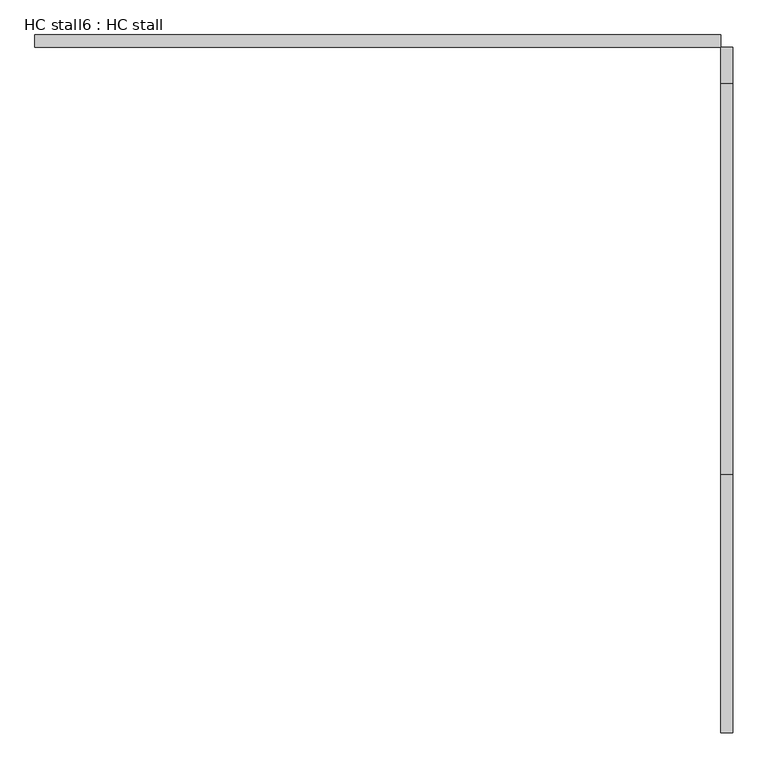
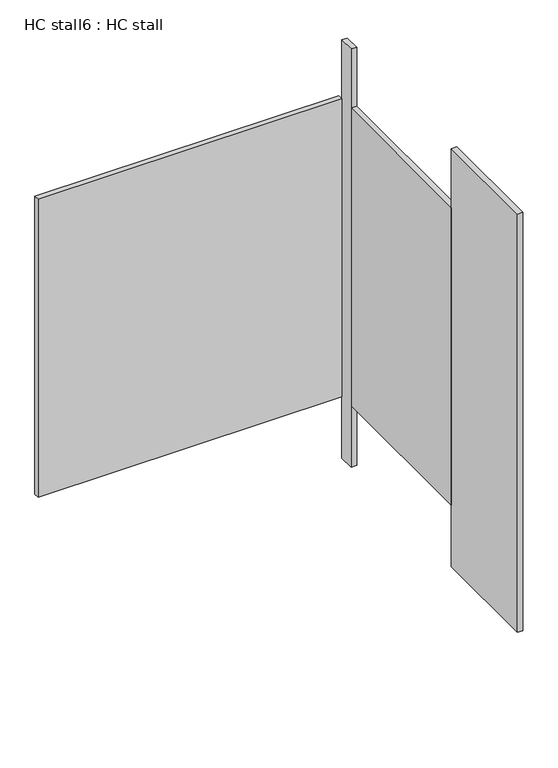
"""IFC4 building model written with IfcOpenShell, lengths in millimetres: proxy geometry, HC stall6 : HC stall."""

from ifc_helpers import new_model, si_unit, frame, origin, origin_with_axes, place, context, project, spatial, polyline, outline, extrude, source, transform, mapped, element, save


def hc_stall6_hc_stall_06159272(model_context):
    return source(origin(), model_context, "Body", "SweptSolid", [
        extrude(outline(polyline([(456785.4504676, -279489.6738632), (458207.8504676, -279489.6738632), (458207.8504676, -279515.0738632), (456785.4504676, -279515.0738632), (456785.4504676, -279489.6738632)])), frame((0.0, 0.0, 304.8), z_axis=(0.0, 0.0, 1.0), x_axis=(1.0, 0.0, 0.0)), (0.0, 0.0, 1.0), 1473.2),
        extrude(outline(polyline([(458207.8504676, -280402.4863632), (458233.2504676, -280402.4863632), (458233.2504676, -280937.4738632), (458207.8504676, -280937.4738632), (458207.8504676, -280402.4863632)])), origin_with_axes(), (0.0, 0.0, 1.0), 2070.1),
        extrude(outline(polyline([(458207.8504676, -279515.0738632), (458233.2504676, -279515.0738632), (458233.2504676, -279589.6863632), (458207.8504676, -279589.6863632), (458207.8504676, -279515.0738632)])), origin_with_axes(), (0.0, 0.0, 1.0), 2070.1),
        extrude(outline(polyline([(458207.8504676, -279589.6863632), (458233.2504676, -279589.6863632), (458233.2504676, -280402.4863632), (458207.8504676, -280402.4863632), (458207.8504676, -279589.6863632)])), frame((0.0, 0.0, 304.8), z_axis=(0.0, 0.0, 1.0), x_axis=(1.0, 0.0, 0.0)), (0.0, 0.0, 1.0), 1473.2),
    ])


if __name__ == "__main__":
    model = new_model("IFC4")
    model_context = context("Model", 3, world=origin())
    ifc_project = project(units=[si_unit("LENGTHUNIT", "METRE", prefix="MILLI")], contexts=[model_context])
    site = spatial("IfcSite", under=ifc_project)
    building = spatial("IfcBuilding", under=site)
    placement = place(None, origin())
    hc_stall6_hc_stall_shape = hc_stall6_hc_stall_06159272(model_context)
    element("IfcBuildingElementProxy", 1, Name="HC stall6 : HC stall", ObjectType="HC stall6 : HC stall", at=placement, inside=building, context=model_context, shape_type="MappedRepresentation", body=[
        mapped(hc_stall6_hc_stall_shape, transform((0.0, 0.0, 0.0), x_axis=(1.0, 0.0, 0.0), y_axis=(0.0, 1.0, 0.0), z_axis=(0.0, 0.0, 1.0))),
    ])
    save(model, "model.ifc")
